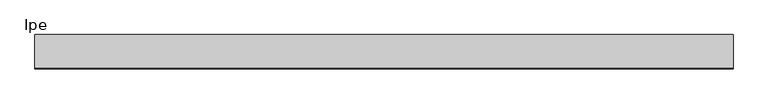
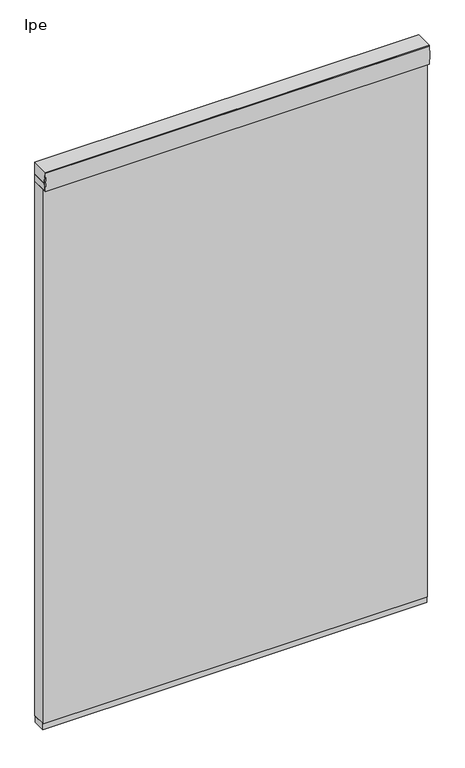
"""IFC4 building model written with IfcOpenShell, lengths in millimetres: plate geometry, Ipe."""

from ifc_helpers import new_model, si_unit, point, frame, frame_2d, origin, place, context, project, spatial, polyline, circle_curve, trimmed, segment, composite_curve, outline, extrude, source, transform, mapped, element, save


def ipe_536fb4bf(model_context):
    return source(origin(), model_context, "Body", "SweptSolid", [
        extrude(outline(composite_curve([segment(polyline([(28.575, 2438.4), (28.575, 2359.025), (-34.13125, 2359.025)]), True, "CONTINUOUS"), segment(trimmed(circle_curve(frame_2d((-367.5335463, 2356.0450255)), 333.4156137), [point((-34.13125, 2359.025))], [point((-43.65625, 2435.225))], True, "CARTESIAN"), True, "CONTINUOUS"), segment(polyline([(-43.65625, 2435.225), (-43.65625, 2438.4), (28.575, 2438.4)]), True, "CONTINUOUS")], self_intersect=False)), frame((-757.4545762, 0.0, 0.0), z_axis=(1.0, 0.0, 0.0), x_axis=(0.0, 1.0, 0.0)), (0.0, 0.0, 1.0), 1514.9091524),
        extrude(outline(composite_curve([segment(polyline([(28.575, 2359.025), (-43.65625, 2359.025)]), True, "CONTINUOUS"), segment(trimmed(circle_curve(frame_2d((268.5966329, 2398.7125)), 314.7649291), [point((-43.65625, 2359.025))], [point((-43.65625, 2438.4))], False, "CARTESIAN"), True, "CONTINUOUS"), segment(polyline([(-43.65625, 2438.4), (28.575, 2438.4), (28.575, 2359.025)]), True, "CONTINUOUS")], self_intersect=False)), frame((-757.4545762, 0.0, 0.0), z_axis=(1.0, 0.0, 0.0), x_axis=(0.0, 1.0, 0.0)), (0.0, 0.0, 1.0), 1514.9091524),
        extrude(outline(polyline([(-757.4545762, 25.4), (757.4545762, 25.4), (757.4545762, -25.4), (-757.4545762, -25.4), (-757.4545762, 25.4)])), frame((0.0, 0.0, 101.6), z_axis=(0.0, 0.0, 1.0), x_axis=(1.0, 0.0, 0.0)), (0.0, 0.0, 1.0), 25.4),
        extrude(outline(polyline([(757.4545762, 28.575), (757.4545762, -28.575), (-757.4545762, -28.575), (-757.4545762, 28.575), (757.4545762, 28.575)])), frame((0.0, 0.0, 127.0), z_axis=(0.0, 0.0, 1.0), x_axis=(1.0, 0.0, 0.0)), (0.0, 0.0, 1.0), 2260.6),
    ])


if __name__ == "__main__":
    model = new_model("IFC4")
    model_context = context("Model", 3, world=origin())
    ifc_project = project(units=[si_unit("LENGTHUNIT", "METRE", prefix="MILLI")], contexts=[model_context])
    site = spatial("IfcSite", under=ifc_project)
    building = spatial("IfcBuilding", under=site)
    placement = place(None, origin())
    ipe_shape = ipe_536fb4bf(model_context)
    element("IfcPlate", 1, ObjectType="Ipe", at=placement, inside=building, context=model_context, shape_type="MappedRepresentation", body=[
        mapped(ipe_shape, transform((0.0, 0.0, 0.0), x_axis=(1.0, 0.0, 0.0), y_axis=(0.0, 1.0, 0.0), z_axis=(0.0, 0.0, 1.0))),
    ])
    save(model, "model.ifc")
